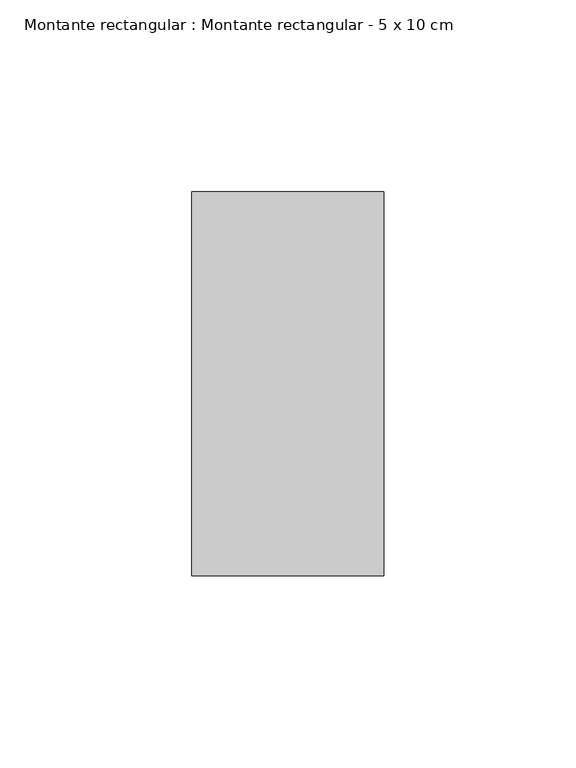
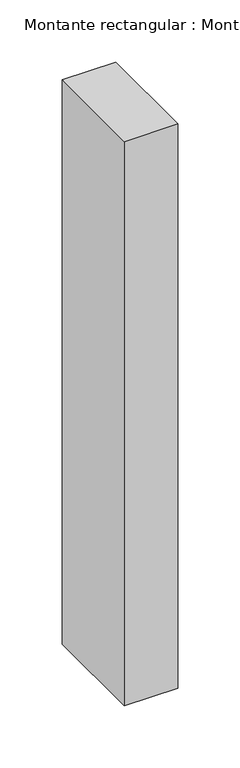
"""IFC4 building model written with IfcOpenShell, lengths in millimetres: member geometry, Montante rectangular : Montante rectangular - 5 x 10 cm."""

from ifc_helpers import new_model, si_unit, frame, origin, place, context, project, spatial, polyline, outline, extrude, source, transform, mapped, element, save


def montante_rectangular_montante_rectangular_5_x_10_cm_f164dcf4(model_context):
    return source(origin(), model_context, "Body", "SweptSolid", [
        extrude(outline(polyline([(-50.0, 50.0), (0.0, 50.0), (0.0, -50.0), (-50.0, -50.0), (-50.0, 50.0)])), frame((0.0, 0.0, -555.0197469), z_axis=(0.0, 0.0, 1.0), x_axis=(1.0, 0.0, 0.0)), (0.0, 0.0, 1.0), 555.0197469),
    ])


if __name__ == "__main__":
    model = new_model("IFC4")
    model_context = context("Model", 3, world=origin())
    ifc_project = project(units=[si_unit("LENGTHUNIT", "METRE", prefix="MILLI")], contexts=[model_context])
    site = spatial("IfcSite", under=ifc_project)
    building = spatial("IfcBuilding", under=site)
    placement = place(None, origin())
    montante_rectangular_montante_rectangular_5_x_10_cm_shape = montante_rectangular_montante_rectangular_5_x_10_cm_f164dcf4(model_context)
    element("IfcMember", 1, ObjectType="Montante rectangular : Montante rectangular - 5 x 10 cm", at=placement, inside=building, context=model_context, shape_type="MappedRepresentation", body=[
        mapped(montante_rectangular_montante_rectangular_5_x_10_cm_shape, transform((0.0, 0.0, 0.0), x_axis=(1.0, 0.0, 0.0), y_axis=(0.0, 1.0, 0.0), z_axis=(0.0, 0.0, 1.0))),
    ])
    save(model, "model.ifc")
